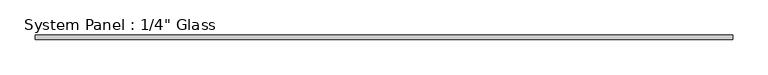
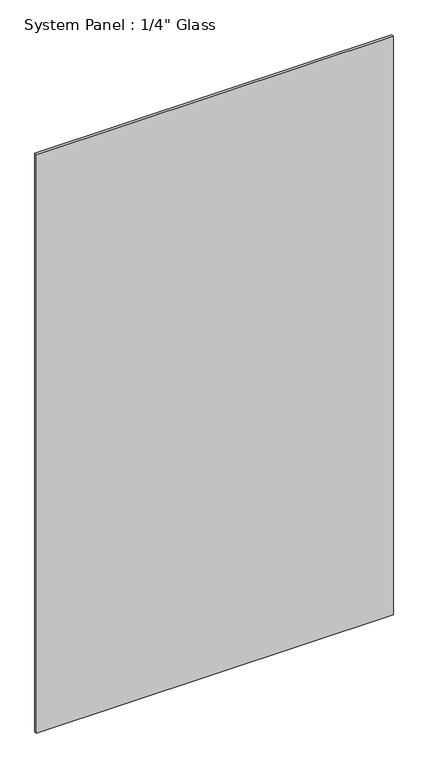
"""IFC4 building model written with IfcOpenShell, lengths in millimetres: plate geometry."""

import ifcopenshell
import ifcopenshell.guid

model = None  # the IFC model being written
_history = None  # IfcOwnerHistory: only IFC2X3 demands one
_inside = {}  # id of a spatial element -> (the spatial element, [elements in it])
_under = {}  # id of a project, library or spatial element -> (it, [spatial elements below it])
_declared = {}  # id of a project -> (the project, [libraries it declares])
_typed = {}  # id of a type object -> (the type object, [elements of that type])
_made_of = {}  # id of a material, layer set ... -> (it, [elements and type objects made of it])


def new_model(schema):
    """Start an empty IFC model of exactly this schema.

    Asked for "IFC4X3", IfcOpenShell would pick the latest addendum, in which some entities
    have other attributes; the version numbers below select the first issue.
    IFC2X3 requires an IfcOwnerHistory on every rooted entity: one is made here for all.
    """
    global model, _history
    if schema == "IFC4X3":
        model = ifcopenshell.file(schema_version=(4, 3, 0, 0))
    else:
        model = ifcopenshell.file(schema=schema)
    _inside.clear()
    _under.clear()
    _declared.clear()
    _typed.clear()
    _made_of.clear()
    _history = None
    if model.schema == "IFC2X3":
        org = make("IfcOrganization", Name="unknown")
        user = make(
            "IfcPersonAndOrganization",
            ThePerson=make("IfcPerson", FamilyName="unknown"),
            TheOrganization=org,
        )
        app = make(
            "IfcApplication",
            ApplicationDeveloper=org,
            Version="unknown",
            ApplicationFullName="unknown",
            ApplicationIdentifier="unknown",
        )
        _history = make(
            "IfcOwnerHistory",
            OwningUser=user,
            OwningApplication=app,
            ChangeAction="ADDED",
            CreationDate=0,
        )
    return model


def make(cls, **values):
    """One entity of the class cls with the attributes given. An attribute that is None is left unset."""
    return model.create_entity(
        cls, **{name: value for name, value in values.items() if value is not None}
    )


def rooted(cls, **values):
    """An entity with a GlobalId (a new one), such as an element, a storey or a relation."""
    return make(cls, GlobalId=ifcopenshell.guid.new(), OwnerHistory=_history, **values)


def si_unit(unit_type, name, prefix=None):
    """IfcSIUnit, for example si_unit("LENGTHUNIT", "METRE", prefix="MILLI")."""
    return make("IfcSIUnit", UnitType=unit_type, Prefix=prefix, Name=name)


def assignment(units):
    """IfcUnitAssignment: the units of a project."""
    return None if units is None else make("IfcUnitAssignment", Units=units)


def point(xyz):
    """IfcCartesianPoint."""
    return None if xyz is None else make("IfcCartesianPoint", Coordinates=xyz)


def direction(xyz):
    """IfcDirection."""
    return None if xyz is None else make("IfcDirection", DirectionRatios=xyz)


def frame(location, z_axis=None, x_axis=None):
    """IfcAxis2Placement3D, a coordinate frame: its origin and axes. An axis left out is left unset."""
    return make(
        "IfcAxis2Placement3D",
        Location=point(location),
        Axis=direction(z_axis),
        RefDirection=direction(x_axis),
    )


def origin():
    """The frame at (0, 0, 0) with its axes left unset."""
    return frame((0.0, 0.0, 0.0))


def origin_with_axes():
    """The frame at (0, 0, 0) with the z axis (0, 0, 1) and the x axis (1, 0, 0) written out."""
    return frame((0.0, 0.0, 0.0), z_axis=(0.0, 0.0, 1.0), x_axis=(1.0, 0.0, 0.0))


def place(relative_to, where):
    """IfcLocalPlacement: puts the frame where relative to a parent placement (None: the world)."""
    return make(
        "IfcLocalPlacement", PlacementRelTo=relative_to, RelativePlacement=where
    )


def context(
    kind, dimensions, precision=None, world=None, true_north=None, identifier=None
):
    """IfcGeometricRepresentationContext, for example the 3D "Model" context."""
    return make(
        "IfcGeometricRepresentationContext",
        ContextIdentifier=identifier,
        ContextType=kind,
        CoordinateSpaceDimension=dimensions,
        Precision=precision,
        WorldCoordinateSystem=world,
        TrueNorth=true_north,
    )


def project(units=None, contexts=None):
    """IfcProject with its units and contexts."""
    return rooted(
        "IfcProject",
        Name="project",
        RepresentationContexts=contexts,
        UnitsInContext=assignment(units),
    )


def spatial(cls, under=None, at=None, **own):
    """A site, building, storey or space (cls), placed at a placement, below another one or the project."""
    s = rooted(cls, ObjectPlacement=at, **own)
    if under is not None:
        _under.setdefault(under.id(), (under, []))[1].append(s)
    return s


def polyline(points):
    """IfcPolyline through the points."""
    return make("IfcPolyline", Points=[point(p) for p in points])


def outline(outer, holes=None, kind="AREA"):
    """IfcArbitraryClosedProfileDef: a profile drawn as a closed curve; with holes, ...WithVoids."""
    if holes is None:
        return make("IfcArbitraryClosedProfileDef", ProfileType=kind, OuterCurve=outer)
    return make(
        "IfcArbitraryProfileDefWithVoids",
        ProfileType=kind,
        OuterCurve=outer,
        InnerCurves=holes,
    )


def extrude(swept, where, along, depth):
    """IfcExtrudedAreaSolid: the profile swept, set in the frame where, extruded along a direction by depth."""
    return make(
        "IfcExtrudedAreaSolid",
        SweptArea=swept,
        Position=where,
        ExtrudedDirection=direction(along),
        Depth=depth,
    )


def shape(context_of_items, identifier, shape_type, items):
    """IfcShapeRepresentation: the items that make up one representation, for example the "Body"."""
    return make(
        "IfcShapeRepresentation",
        ContextOfItems=context_of_items,
        RepresentationIdentifier=identifier,
        RepresentationType=shape_type,
        Items=items,
    )


def source(mapping_origin, context_of_items, identifier, shape_type, items):
    """IfcRepresentationMap: a shape defined once, which mapped items show again and again."""
    return make(
        "IfcRepresentationMap",
        MappingOrigin=mapping_origin,
        MappedRepresentation=shape(context_of_items, identifier, shape_type, items),
    )


def transform(
    local_origin,
    x_axis=None,
    y_axis=None,
    z_axis=None,
    scale=None,
    scale2=None,
    scale3=None,
    uniform=True,
):
    """IfcCartesianTransformationOperator3D, or its non-uniform kind. x_axis, y_axis, z_axis: its Axis1, 2, 3."""
    if uniform:
        return make(
            "IfcCartesianTransformationOperator3D",
            Axis1=direction(x_axis),
            Axis2=direction(y_axis),
            LocalOrigin=point(local_origin),
            Scale=scale,
            Axis3=direction(z_axis),
        )
    return make(
        "IfcCartesianTransformationOperator3DnonUniform",
        Axis1=direction(x_axis),
        Axis2=direction(y_axis),
        LocalOrigin=point(local_origin),
        Scale=scale,
        Axis3=direction(z_axis),
        Scale2=scale2,
        Scale3=scale3,
    )


def mapped(mapping_source, mapping_target):
    """IfcMappedItem: shows the shape of a source again, moved by a transform."""
    return make(
        "IfcMappedItem", MappingSource=mapping_source, MappingTarget=mapping_target
    )


def made_of(thing, what):
    """Note that an element or type object is made of a material, layer set ...; save() writes the relation."""
    if what is not None:
        _made_of.setdefault(what.id(), (what, []))[1].append(thing)
    return thing


def element(
    cls,
    number,
    at=None,
    inside=None,
    cuts=None,
    type_object=None,
    material=None,
    context=None,
    identifier="Body",
    shape_type=None,
    held_by="IfcProductDefinitionShape",
    body=None,
    shapes=None,
    **own,
):
    """One element of the class cls, such as IfcWall. Its Tag is "e" and its number.

    at: its placement. inside: the storey or other place that contains it. cuts: it is an
    opening in that element (IfcRelVoidsElement). A single representation is given by context,
    identifier, shape_type and body (its items); several are given by shapes. held_by: the class
    of the entity that holds the representations. save() writes the other relations.
    """
    e = rooted(cls, Tag="e%d" % number, ObjectPlacement=at, **own)
    if body is not None:
        shapes = [shape(context, identifier, shape_type, body)]
    if shapes is not None:
        e.Representation = make(held_by, Representations=shapes)
    if inside is not None:
        _inside.setdefault(inside.id(), (inside, []))[1].append(e)
    if cuts is not None:
        rooted(
            "IfcRelVoidsElement", RelatingBuildingElement=cuts, RelatedOpeningElement=e
        )
    if type_object is not None:
        _typed.setdefault(type_object.id(), (type_object, []))[1].append(e)
    return made_of(e, material)


def aggregate(whole, parts):
    """IfcRelAggregates: a whole, such as a stair, and the parts it consists of."""
    return rooted("IfcRelAggregates", RelatingObject=whole, RelatedObjects=parts)


def save(model, path):
    """Write the relations noted so far, then the file.

    IfcRelAggregates (storeys below a building ...), IfcRelContainedInSpatialStructure (elements
    in a storey), IfcRelDefinesByType, IfcRelAssociatesMaterial and IfcRelDeclares: one each for
    every whole, place, type object, material and project.
    """
    for whole, parts in _under.values():
        aggregate(whole, parts)
    for where, things in _inside.values():
        rooted(
            "IfcRelContainedInSpatialStructure",
            RelatedElements=things,
            RelatingStructure=where,
        )
    for kind, things in _typed.values():
        rooted("IfcRelDefinesByType", RelatedObjects=things, RelatingType=kind)
    for what, things in _made_of.values():
        rooted("IfcRelAssociatesMaterial", RelatedObjects=things, RelatingMaterial=what)
    for by, libraries in _declared.values():
        rooted("IfcRelDeclares", RelatingContext=by, RelatedDefinitions=libraries)
    model.write(path)


def plate_203c0fdd(model_context):
    return source(origin(), model_context, "Body", "SweptSolid", [
        extrude(outline(polyline([(495.3, -3.175), (-495.3, -3.175), (-495.3, 3.175), (495.3, 3.175), (495.3, -3.175)])), origin_with_axes(), (0.0, 0.0, 1.0), 1695.45),
    ])


if __name__ == "__main__":
    model = new_model("IFC4")
    model_context = context("Model", 3, world=origin())
    ifc_project = project(units=[si_unit("LENGTHUNIT", "METRE", prefix="MILLI")], contexts=[model_context])
    site = spatial("IfcSite", under=ifc_project)
    building = spatial("IfcBuilding", under=site)
    placement = place(None, origin())
    plate_shape = plate_203c0fdd(model_context)
    element("IfcPlate", 1, ObjectType="System Panel : 1/4\" Glass", at=placement, inside=building, context=model_context, shape_type="MappedRepresentation", body=[
        mapped(plate_shape, transform((0.0, 0.0, 0.0), x_axis=(1.0, 0.0, 0.0), y_axis=(0.0, 1.0, 0.0), z_axis=(0.0, 0.0, 1.0))),
    ])
    save(model, "model.ifc")
